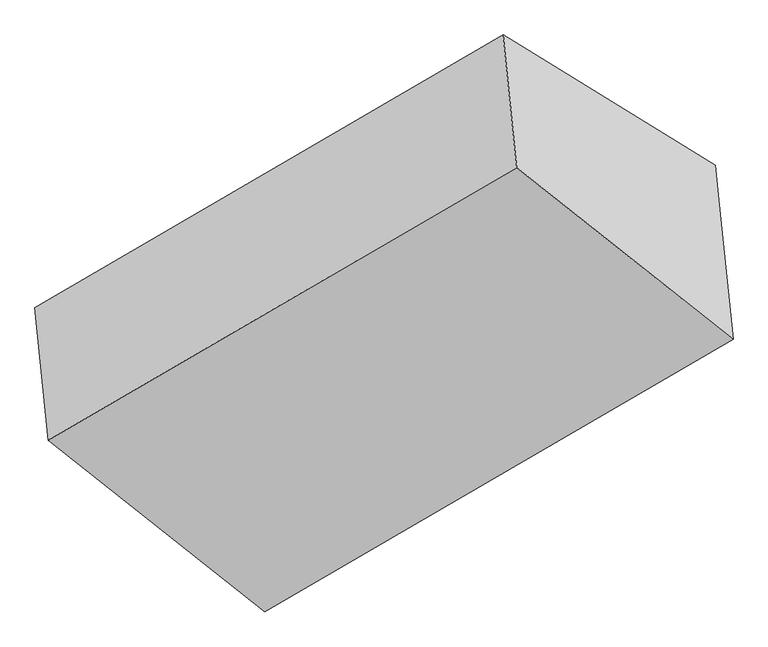
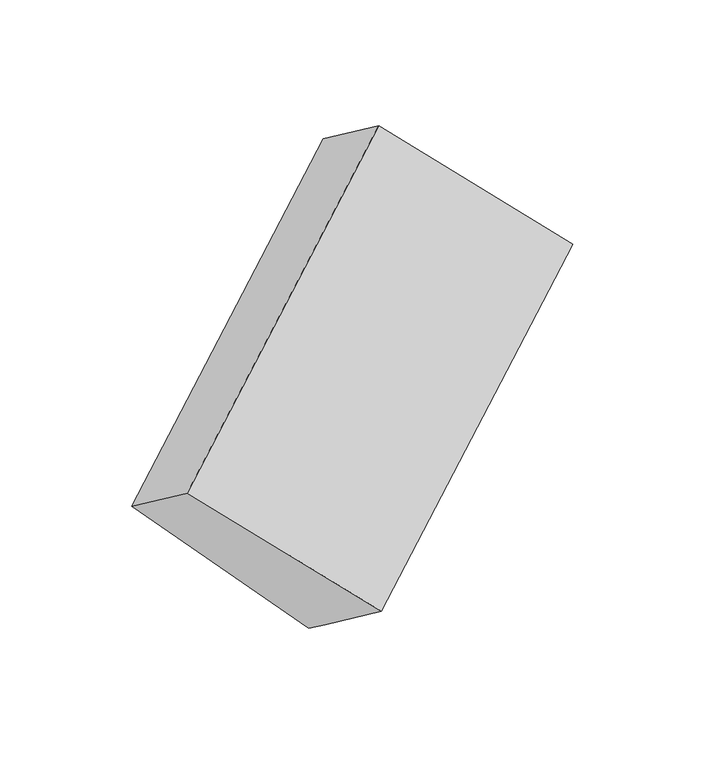
"""IFC4 building model written with IfcOpenShell, lengths in millimetres: proxy geometry."""

from ifc_helpers import new_model, si_unit, origin, place, context, project, spatial, faceted_brep, source, transform, mapped, element, save


def generic_models_9e7d4644(model_context):
    return source(origin(), model_context, "Body", "Brep", [
        faceted_brep([(-3788.5415029, -1570.7941785, 1601.8457893), (-3750.0858438, -1949.2513076, 1881.8740377), (-2414.489833, -1171.9572306, 2741.7987856), (-2452.9454921, -793.5001015, 2461.7705373), (-3183.6736543, -1942.3487078, 1016.6260722), (-1848.0776435, -1165.0546309, 1876.5508201), (-3172.2760202, -2054.5172664, 1099.6219059), (-1836.6800094, -1277.2231894, 1959.5466539), (-3133.2438407, -2438.6481576, 1383.8482881), (-1797.6478299, -1661.3540807, 2243.773036)], [[[0, 1, 2, 3]], [[4, 0, 5]], [[6, 4, 5, 7]], [[8, 6, 7, 9]], [[1, 8, 9, 2]], [[7, 5, 3, 2, 9]], [[1, 0, 4, 6, 8]], [[3, 5, 0]]]),
    ])


if __name__ == "__main__":
    model = new_model("IFC4")
    model_context = context("Model", 3, world=origin())
    ifc_project = project(units=[si_unit("LENGTHUNIT", "METRE", prefix="MILLI")], contexts=[model_context])
    site = spatial("IfcSite", under=ifc_project)
    building = spatial("IfcBuilding", under=site)
    placement = place(None, origin())
    generic_models_shape = generic_models_9e7d4644(model_context)
    element("IfcBuildingElementProxy", 1, Name="Generic Models", at=placement, inside=building, context=model_context, shape_type="MappedRepresentation", body=[
        mapped(generic_models_shape, transform((0.0, 0.0, 0.0), x_axis=(1.0, 0.0, 0.0), y_axis=(0.0, 1.0, 0.0), z_axis=(0.0, 0.0, 1.0))),
    ])
    save(model, "model.ifc")
